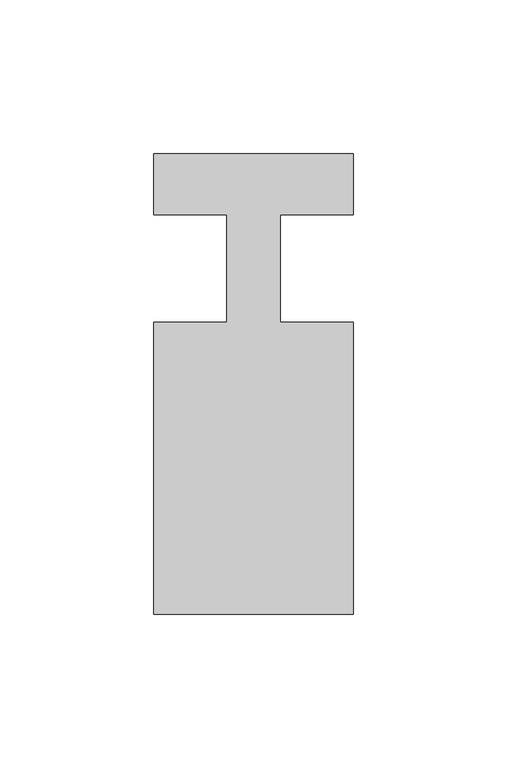
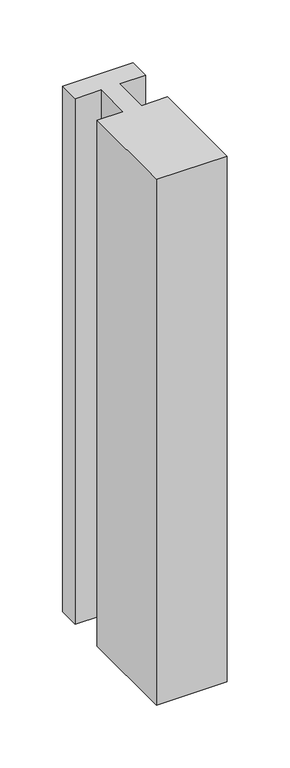
"""IFC4 building model written with IfcOpenShell, lengths in millimetres: member geometry."""

from ifc_helpers import new_model, si_unit, frame, origin, place, context, project, spatial, polyline, outline, extrude, source, transform, mapped, element, save


def member_ff99dee8(model_context):
    return source(origin(), model_context, "Body", "SweptSolid", [
        extrude(outline(polyline([(-32.5, 37.0), (32.5, 37.0), (32.5, 17.0), (8.6875, 17.0), (8.6875, -18.0), (32.5, -18.0), (32.5, -113.0), (-32.5, -113.0), (-32.5, -18.0), (-8.6875, -18.0), (-8.6875, 17.0), (-32.5, 17.0), (-32.5, 37.0)])), frame((0.0, 0.0, -511.90625), z_axis=(0.0, 0.0, 1.0), x_axis=(1.0, 0.0, 0.0)), (0.0, 0.0, 1.0), 511.90625),
    ])


if __name__ == "__main__":
    model = new_model("IFC4")
    model_context = context("Model", 3, world=origin())
    ifc_project = project(units=[si_unit("LENGTHUNIT", "METRE", prefix="MILLI")], contexts=[model_context])
    site = spatial("IfcSite", under=ifc_project)
    building = spatial("IfcBuilding", under=site)
    placement = place(None, origin())
    member_shape = member_ff99dee8(model_context)
    element("IfcMember", 1, at=placement, inside=building, context=model_context, shape_type="MappedRepresentation", body=[
        mapped(member_shape, transform((0.0, 0.0, 0.0), x_axis=(1.0, 0.0, 0.0), y_axis=(0.0, 1.0, 0.0), z_axis=(0.0, 0.0, 1.0))),
    ])
    save(model, "model.ifc")
